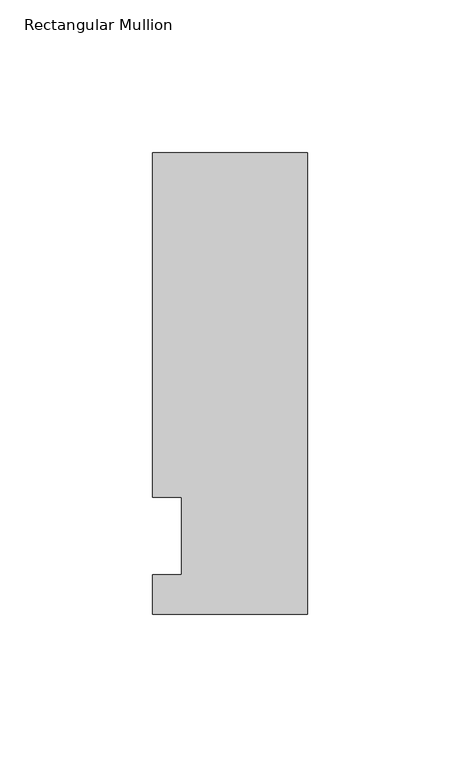
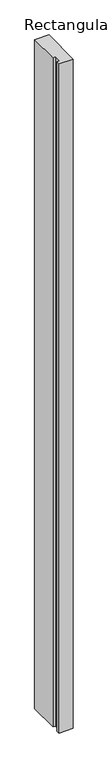
"""IFC4 building model written with IfcOpenShell, lengths in millimetres: member geometry, Rectangular Mullion."""

from ifc_helpers import new_model, si_unit, frame, origin, place, context, project, spatial, polyline, outline, extrude, source, transform, mapped, element, save


def rectangular_mullion_8be29f20(model_context):
    return source(origin(), model_context, "Body", "SweptSolid", [
        extrude(outline(polyline([(-50.8, -25.5984375), (-50.8, -12.7), (-41.275, -12.7), (-41.275, 12.7), (-50.8, 12.7), (-50.8, 125.6109375), (0.0, 125.6109375), (0.0, -25.5984375), (-50.8, -25.5984375)])), frame((0.0, 0.0, -2540.0), z_axis=(0.0, 0.0, 1.0), x_axis=(1.0, 0.0, 0.0)), (0.0, 0.0, 1.0), 2540.0),
    ])


if __name__ == "__main__":
    model = new_model("IFC4")
    model_context = context("Model", 3, world=origin())
    ifc_project = project(units=[si_unit("LENGTHUNIT", "METRE", prefix="MILLI")], contexts=[model_context])
    site = spatial("IfcSite", under=ifc_project)
    building = spatial("IfcBuilding", under=site)
    placement = place(None, origin())
    rectangular_mullion_shape = rectangular_mullion_8be29f20(model_context)
    element("IfcMember", 1, ObjectType="Rectangular Mullion", at=placement, inside=building, context=model_context, shape_type="MappedRepresentation", body=[
        mapped(rectangular_mullion_shape, transform((0.0, 0.0, 0.0), x_axis=(1.0, 0.0, 0.0), y_axis=(0.0, 1.0, 0.0), z_axis=(0.0, 0.0, 1.0))),
    ])
    save(model, "model.ifc")
